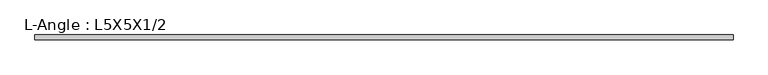
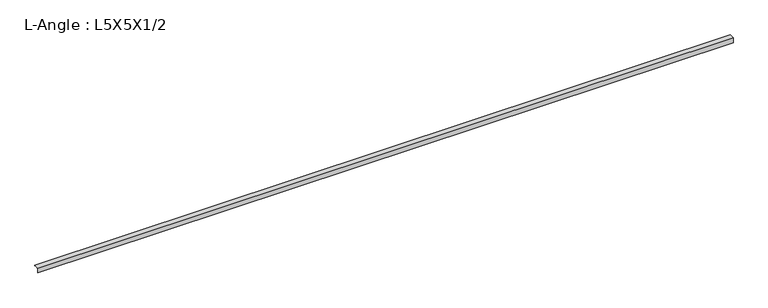
"""IFC4 building model written with IfcOpenShell, lengths in millimetres: beam geometry, L-Angle : L5X5X1/2."""

from ifc_helpers import new_model, si_unit, point, frame, frame_2d, origin, place, context, project, spatial, polyline, circle_curve, trimmed, segment, composite_curve, outline, extrude, source, transform, mapped, element, save


def l_angle_l5x5x1_2_78a8fddc(model_context):
    return source(origin(), model_context, "Body", "SweptSolid", [
        extrude(outline(composite_curve([segment(polyline([(-36.068, 36.068), (90.932, 36.068)]), True, "CONTINUOUS"), segment(trimmed(circle_curve(frame_2d((78.232, 36.068)), 12.7), [point((90.932, 36.068))], [point((78.232, 23.368))], False, "CARTESIAN"), True, "CONTINUOUS"), segment(polyline([(78.232, 23.368), (-10.668, 23.368)]), True, "CONTINUOUS"), segment(trimmed(circle_curve(frame_2d((-10.668, 10.668)), 12.7), [point((-10.668, 23.368))], [point((-23.368, 10.668))], True, "CARTESIAN"), True, "CONTINUOUS"), segment(polyline([(-23.368, 10.668), (-23.368, -78.232)]), True, "CONTINUOUS"), segment(trimmed(circle_curve(frame_2d((-36.068, -78.232)), 12.7), [point((-23.368, -78.232))], [point((-36.068, -90.932))], False, "CARTESIAN"), True, "CONTINUOUS"), segment(polyline([(-36.068, -90.932), (-36.068, 36.068)]), True, "CONTINUOUS")], self_intersect=False)), frame((-8701.3955115, 0.0, 0.0), z_axis=(1.0, 0.0, 0.0), x_axis=(0.0, 1.0, 0.0)), (0.0, 0.0, 1.0), 17538.7),
    ])


if __name__ == "__main__":
    model = new_model("IFC4")
    model_context = context("Model", 3, world=origin())
    ifc_project = project(units=[si_unit("LENGTHUNIT", "METRE", prefix="MILLI")], contexts=[model_context])
    site = spatial("IfcSite", under=ifc_project)
    building = spatial("IfcBuilding", under=site)
    placement = place(None, origin())
    l_angle_l5x5x1_2_shape = l_angle_l5x5x1_2_78a8fddc(model_context)
    element("IfcBeam", 1, ObjectType="L-Angle : L5X5X1/2", at=placement, inside=building, context=model_context, shape_type="MappedRepresentation", body=[
        mapped(l_angle_l5x5x1_2_shape, transform((0.0, 0.0, 0.0), x_axis=(1.0, 0.0, 0.0), y_axis=(0.0, 1.0, 0.0), z_axis=(0.0, 0.0, 1.0))),
    ])
    save(model, "model.ifc")
